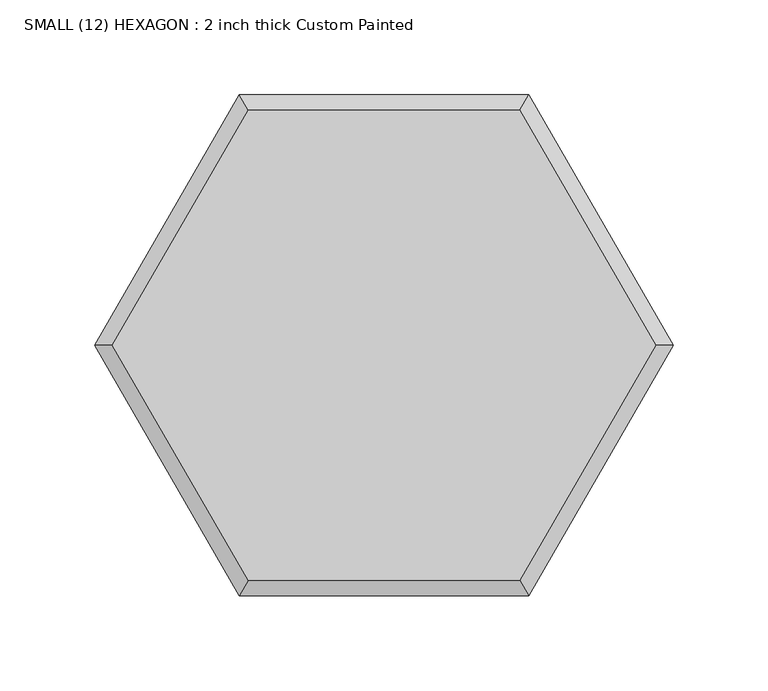
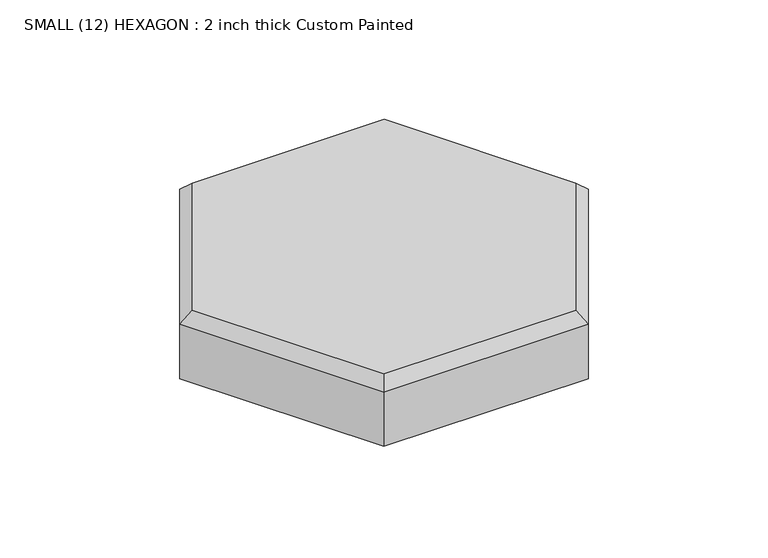
"""IFC4 building model written with IfcOpenShell, lengths in millimetres: proxy geometry, SMALL (12) HEXAGON : 2 inch thick Custom Painted."""

import ifcopenshell
import ifcopenshell.guid

model = None  # the IFC model being written
_history = None  # IfcOwnerHistory: only IFC2X3 demands one
_inside = {}  # id of a spatial element -> (the spatial element, [elements in it])
_under = {}  # id of a project, library or spatial element -> (it, [spatial elements below it])
_declared = {}  # id of a project -> (the project, [libraries it declares])
_typed = {}  # id of a type object -> (the type object, [elements of that type])
_made_of = {}  # id of a material, layer set ... -> (it, [elements and type objects made of it])


def new_model(schema):
    """Start an empty IFC model of exactly this schema.

    Asked for "IFC4X3", IfcOpenShell would pick the latest addendum, in which some entities
    have other attributes; the version numbers below select the first issue.
    IFC2X3 requires an IfcOwnerHistory on every rooted entity: one is made here for all.
    """
    global model, _history
    if schema == "IFC4X3":
        model = ifcopenshell.file(schema_version=(4, 3, 0, 0))
    else:
        model = ifcopenshell.file(schema=schema)
    _inside.clear()
    _under.clear()
    _declared.clear()
    _typed.clear()
    _made_of.clear()
    _history = None
    if model.schema == "IFC2X3":
        org = make("IfcOrganization", Name="unknown")
        user = make(
            "IfcPersonAndOrganization",
            ThePerson=make("IfcPerson", FamilyName="unknown"),
            TheOrganization=org,
        )
        app = make(
            "IfcApplication",
            ApplicationDeveloper=org,
            Version="unknown",
            ApplicationFullName="unknown",
            ApplicationIdentifier="unknown",
        )
        _history = make(
            "IfcOwnerHistory",
            OwningUser=user,
            OwningApplication=app,
            ChangeAction="ADDED",
            CreationDate=0,
        )
    return model


def make(cls, **values):
    """One entity of the class cls with the attributes given. An attribute that is None is left unset."""
    return model.create_entity(
        cls, **{name: value for name, value in values.items() if value is not None}
    )


def rooted(cls, **values):
    """An entity with a GlobalId (a new one), such as an element, a storey or a relation."""
    return make(cls, GlobalId=ifcopenshell.guid.new(), OwnerHistory=_history, **values)


def si_unit(unit_type, name, prefix=None):
    """IfcSIUnit, for example si_unit("LENGTHUNIT", "METRE", prefix="MILLI")."""
    return make("IfcSIUnit", UnitType=unit_type, Prefix=prefix, Name=name)


def assignment(units):
    """IfcUnitAssignment: the units of a project."""
    return None if units is None else make("IfcUnitAssignment", Units=units)


def point(xyz):
    """IfcCartesianPoint."""
    return None if xyz is None else make("IfcCartesianPoint", Coordinates=xyz)


def direction(xyz):
    """IfcDirection."""
    return None if xyz is None else make("IfcDirection", DirectionRatios=xyz)


def frame(location, z_axis=None, x_axis=None):
    """IfcAxis2Placement3D, a coordinate frame: its origin and axes. An axis left out is left unset."""
    return make(
        "IfcAxis2Placement3D",
        Location=point(location),
        Axis=direction(z_axis),
        RefDirection=direction(x_axis),
    )


def origin():
    """The frame at (0, 0, 0) with its axes left unset."""
    return frame((0.0, 0.0, 0.0))


def place(relative_to, where):
    """IfcLocalPlacement: puts the frame where relative to a parent placement (None: the world)."""
    return make(
        "IfcLocalPlacement", PlacementRelTo=relative_to, RelativePlacement=where
    )


def context(
    kind, dimensions, precision=None, world=None, true_north=None, identifier=None
):
    """IfcGeometricRepresentationContext, for example the 3D "Model" context."""
    return make(
        "IfcGeometricRepresentationContext",
        ContextIdentifier=identifier,
        ContextType=kind,
        CoordinateSpaceDimension=dimensions,
        Precision=precision,
        WorldCoordinateSystem=world,
        TrueNorth=true_north,
    )


def project(units=None, contexts=None):
    """IfcProject with its units and contexts."""
    return rooted(
        "IfcProject",
        Name="project",
        RepresentationContexts=contexts,
        UnitsInContext=assignment(units),
    )


def spatial(cls, under=None, at=None, **own):
    """A site, building, storey or space (cls), placed at a placement, below another one or the project."""
    s = rooted(cls, ObjectPlacement=at, **own)
    if under is not None:
        _under.setdefault(under.id(), (under, []))[1].append(s)
    return s


def faces_of(points, faces, orient=None, outer=None):
    """IfcFace entities. A face is a list of loops; a loop is a list of indices into points, from 0.

    orient and outer hold one flag for each loop. By default every Orientation is true, the
    first loop of a face is its IfcFaceOuterBound and the others are IfcFaceBound.
    """
    made = []
    for i, loops in enumerate(faces):
        bounds = []
        for j, loop in enumerate(loops):
            is_outer = j == 0 if outer is None else outer[i][j]
            bounds.append(
                make(
                    "IfcFaceOuterBound" if is_outer else "IfcFaceBound",
                    Bound=make("IfcPolyLoop", Polygon=[points[k] for k in loop]),
                    Orientation=True if orient is None else orient[i][j],
                )
            )
        made.append(make("IfcFace", Bounds=bounds))
    return made


def faceted_brep(points, faces, orient=None, outer=None, voids=None):
    """IfcFacetedBrep: a solid bounded by flat faces; with voids (closed shells), ...WithVoids."""
    shared = [point(p) for p in points]
    hull = make("IfcClosedShell", CfsFaces=faces_of(shared, faces, orient, outer))
    if voids is None:
        return make("IfcFacetedBrep", Outer=hull)
    return make(
        "IfcFacetedBrepWithVoids",
        Outer=hull,
        Voids=[
            make(cls, CfsFaces=faces_of(shared, fs, o, b)) for cls, fs, o, b in voids
        ],
    )


def shape(context_of_items, identifier, shape_type, items):
    """IfcShapeRepresentation: the items that make up one representation, for example the "Body"."""
    return make(
        "IfcShapeRepresentation",
        ContextOfItems=context_of_items,
        RepresentationIdentifier=identifier,
        RepresentationType=shape_type,
        Items=items,
    )


def source(mapping_origin, context_of_items, identifier, shape_type, items):
    """IfcRepresentationMap: a shape defined once, which mapped items show again and again."""
    return make(
        "IfcRepresentationMap",
        MappingOrigin=mapping_origin,
        MappedRepresentation=shape(context_of_items, identifier, shape_type, items),
    )


def transform(
    local_origin,
    x_axis=None,
    y_axis=None,
    z_axis=None,
    scale=None,
    scale2=None,
    scale3=None,
    uniform=True,
):
    """IfcCartesianTransformationOperator3D, or its non-uniform kind. x_axis, y_axis, z_axis: its Axis1, 2, 3."""
    if uniform:
        return make(
            "IfcCartesianTransformationOperator3D",
            Axis1=direction(x_axis),
            Axis2=direction(y_axis),
            LocalOrigin=point(local_origin),
            Scale=scale,
            Axis3=direction(z_axis),
        )
    return make(
        "IfcCartesianTransformationOperator3DnonUniform",
        Axis1=direction(x_axis),
        Axis2=direction(y_axis),
        LocalOrigin=point(local_origin),
        Scale=scale,
        Axis3=direction(z_axis),
        Scale2=scale2,
        Scale3=scale3,
    )


def mapped(mapping_source, mapping_target):
    """IfcMappedItem: shows the shape of a source again, moved by a transform."""
    return make(
        "IfcMappedItem", MappingSource=mapping_source, MappingTarget=mapping_target
    )


def made_of(thing, what):
    """Note that an element or type object is made of a material, layer set ...; save() writes the relation."""
    if what is not None:
        _made_of.setdefault(what.id(), (what, []))[1].append(thing)
    return thing


def element(
    cls,
    number,
    at=None,
    inside=None,
    cuts=None,
    type_object=None,
    material=None,
    context=None,
    identifier="Body",
    shape_type=None,
    held_by="IfcProductDefinitionShape",
    body=None,
    shapes=None,
    **own,
):
    """One element of the class cls, such as IfcWall. Its Tag is "e" and its number.

    at: its placement. inside: the storey or other place that contains it. cuts: it is an
    opening in that element (IfcRelVoidsElement). A single representation is given by context,
    identifier, shape_type and body (its items); several are given by shapes. held_by: the class
    of the entity that holds the representations. save() writes the other relations.
    """
    e = rooted(cls, Tag="e%d" % number, ObjectPlacement=at, **own)
    if body is not None:
        shapes = [shape(context, identifier, shape_type, body)]
    if shapes is not None:
        e.Representation = make(held_by, Representations=shapes)
    if inside is not None:
        _inside.setdefault(inside.id(), (inside, []))[1].append(e)
    if cuts is not None:
        rooted(
            "IfcRelVoidsElement", RelatingBuildingElement=cuts, RelatedOpeningElement=e
        )
    if type_object is not None:
        _typed.setdefault(type_object.id(), (type_object, []))[1].append(e)
    return made_of(e, material)


def aggregate(whole, parts):
    """IfcRelAggregates: a whole, such as a stair, and the parts it consists of."""
    return rooted("IfcRelAggregates", RelatingObject=whole, RelatedObjects=parts)


def save(model, path):
    """Write the relations noted so far, then the file.

    IfcRelAggregates (storeys below a building ...), IfcRelContainedInSpatialStructure (elements
    in a storey), IfcRelDefinesByType, IfcRelAssociatesMaterial and IfcRelDeclares: one each for
    every whole, place, type object, material and project.
    """
    for whole, parts in _under.values():
        aggregate(whole, parts)
    for where, things in _inside.values():
        rooted(
            "IfcRelContainedInSpatialStructure",
            RelatedElements=things,
            RelatingStructure=where,
        )
    for kind, things in _typed.values():
        rooted("IfcRelDefinesByType", RelatedObjects=things, RelatingType=kind)
    for what, things in _made_of.values():
        rooted("IfcRelAssociatesMaterial", RelatedObjects=things, RelatingMaterial=what)
    for by, libraries in _declared.values():
        rooted("IfcRelDeclares", RelatingContext=by, RelatedDefinitions=libraries)
    model.write(path)


def small_12_hexagon_2_inch_thick_custom_painted_b9637f07(model_context):
    return source(origin(), model_context, "Body", "Brep", [
        faceted_brep([(-143.161241, 0.0, 50.8), (-71.5806205, -123.9812715, 50.8), (71.5806205, -123.9812715, 50.8), (143.161241, 0.0, 50.8), (71.5806205, 123.9812715, 50.8), (-71.5806205, 123.9812715, 50.8), (76.2, 131.9822715, 0.0), (152.4, 0.0, 0.0), (76.2, -131.9822715, 0.0), (-76.2, -131.9822715, 0.0), (-152.4, 0.0, 0.0), (-76.2, 131.9822715, 0.0), (-76.2, 131.9822715, 42.799), (76.2, 131.9822715, 42.799), (-152.4, 0.0, 42.799), (-76.2, -131.9822715, 42.799), (76.2, -131.9822715, 42.799), (152.4, 0.0, 42.799)], [[[0, 1, 2, 3, 4, 5]], [[6, 7, 8, 9, 10, 11]], [[6, 11, 12, 13]], [[11, 10, 14, 12]], [[10, 9, 15, 14]], [[9, 8, 16, 15]], [[8, 7, 17, 16]], [[7, 6, 13, 17]], [[15, 1, 0, 14]], [[1, 15, 16, 2]], [[2, 16, 17, 3]], [[3, 17, 13, 4]], [[4, 13, 12, 5]], [[14, 0, 5, 12]]]),
    ])


if __name__ == "__main__":
    model = new_model("IFC4")
    model_context = context("Model", 3, world=origin())
    ifc_project = project(units=[si_unit("LENGTHUNIT", "METRE", prefix="MILLI")], contexts=[model_context])
    site = spatial("IfcSite", under=ifc_project)
    building = spatial("IfcBuilding", under=site)
    placement = place(None, origin())
    small_12_hexagon_2_inch_thick_custom_painted_shape = small_12_hexagon_2_inch_thick_custom_painted_b9637f07(model_context)
    element("IfcBuildingElementProxy", 1, Name="SMALL (12) HEXAGON : 2 inch thick Custom Painted", ObjectType="SMALL (12) HEXAGON : 2 inch thick Custom Painted", at=placement, inside=building, context=model_context, shape_type="MappedRepresentation", body=[
        mapped(small_12_hexagon_2_inch_thick_custom_painted_shape, transform((0.0, 0.0, 0.0), x_axis=(1.0, 0.0, 0.0), y_axis=(0.0, 1.0, 0.0), z_axis=(0.0, 0.0, 1.0))),
    ])
    save(model, "model.ifc")
